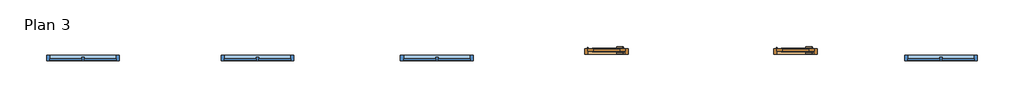
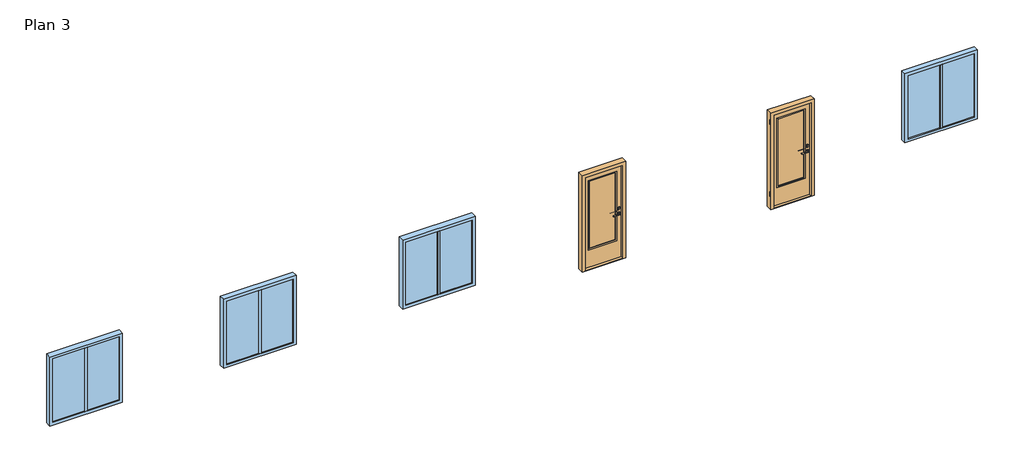
# One storey, part 1 of 2: 4 windows, 2 doors.
"""IFC4 building model written with IfcOpenShell, lengths in millimetres."""

import ifcopenshell
import ifcopenshell.guid

model = None  # the IFC model being written
_history = None  # IfcOwnerHistory: only IFC2X3 demands one
_inside = {}  # id of a spatial element -> (the spatial element, [elements in it])
_under = {}  # id of a project, library or spatial element -> (it, [spatial elements below it])
_declared = {}  # id of a project -> (the project, [libraries it declares])
_typed = {}  # id of a type object -> (the type object, [elements of that type])
_made_of = {}  # id of a material, layer set ... -> (it, [elements and type objects made of it])


def new_model(schema):
    """Start an empty IFC model of exactly this schema.

    Asked for "IFC4X3", IfcOpenShell would pick the latest addendum, in which some entities
    have other attributes; the version numbers below select the first issue.
    IFC2X3 requires an IfcOwnerHistory on every rooted entity: one is made here for all.
    """
    global model, _history
    if schema == "IFC4X3":
        model = ifcopenshell.file(schema_version=(4, 3, 0, 0))
    else:
        model = ifcopenshell.file(schema=schema)
    _inside.clear()
    _under.clear()
    _declared.clear()
    _typed.clear()
    _made_of.clear()
    _history = None
    if model.schema == "IFC2X3":
        org = make("IfcOrganization", Name="unknown")
        user = make(
            "IfcPersonAndOrganization",
            ThePerson=make("IfcPerson", FamilyName="unknown"),
            TheOrganization=org,
        )
        app = make(
            "IfcApplication",
            ApplicationDeveloper=org,
            Version="unknown",
            ApplicationFullName="unknown",
            ApplicationIdentifier="unknown",
        )
        _history = make(
            "IfcOwnerHistory",
            OwningUser=user,
            OwningApplication=app,
            ChangeAction="ADDED",
            CreationDate=0,
        )
    return model


def make(cls, **values):
    """One entity of the class cls with the attributes given. An attribute that is None is left unset."""
    return model.create_entity(
        cls, **{name: value for name, value in values.items() if value is not None}
    )


def rooted(cls, **values):
    """An entity with a GlobalId (a new one), such as an element, a storey or a relation."""
    return make(cls, GlobalId=ifcopenshell.guid.new(), OwnerHistory=_history, **values)


def si_unit(unit_type, name, prefix=None):
    """IfcSIUnit, for example si_unit("LENGTHUNIT", "METRE", prefix="MILLI")."""
    return make("IfcSIUnit", UnitType=unit_type, Prefix=prefix, Name=name)


def assignment(units):
    """IfcUnitAssignment: the units of a project."""
    return None if units is None else make("IfcUnitAssignment", Units=units)


def point(xyz):
    """IfcCartesianPoint."""
    return None if xyz is None else make("IfcCartesianPoint", Coordinates=xyz)


def direction(xyz):
    """IfcDirection."""
    return None if xyz is None else make("IfcDirection", DirectionRatios=xyz)


def frame(location, z_axis=None, x_axis=None):
    """IfcAxis2Placement3D, a coordinate frame: its origin and axes. An axis left out is left unset."""
    return make(
        "IfcAxis2Placement3D",
        Location=point(location),
        Axis=direction(z_axis),
        RefDirection=direction(x_axis),
    )


def frame_2d(location, x_axis=None):
    """IfcAxis2Placement2D, a coordinate frame in the plane: its origin and x axis."""
    return make(
        "IfcAxis2Placement2D", Location=point(location), RefDirection=direction(x_axis)
    )


def origin():
    """The frame at (0, 0, 0) with its axes left unset."""
    return frame((0.0, 0.0, 0.0))


def origin_with_axes():
    """The frame at (0, 0, 0) with the z axis (0, 0, 1) and the x axis (1, 0, 0) written out."""
    return frame((0.0, 0.0, 0.0), z_axis=(0.0, 0.0, 1.0), x_axis=(1.0, 0.0, 0.0))


def place(relative_to, where):
    """IfcLocalPlacement: puts the frame where relative to a parent placement (None: the world)."""
    return make(
        "IfcLocalPlacement", PlacementRelTo=relative_to, RelativePlacement=where
    )


def context(
    kind, dimensions, precision=None, world=None, true_north=None, identifier=None
):
    """IfcGeometricRepresentationContext, for example the 3D "Model" context."""
    return make(
        "IfcGeometricRepresentationContext",
        ContextIdentifier=identifier,
        ContextType=kind,
        CoordinateSpaceDimension=dimensions,
        Precision=precision,
        WorldCoordinateSystem=world,
        TrueNorth=true_north,
    )


def project(units=None, contexts=None):
    """IfcProject with its units and contexts."""
    return rooted(
        "IfcProject",
        Name="project",
        RepresentationContexts=contexts,
        UnitsInContext=assignment(units),
    )


def spatial(cls, under=None, at=None, **own):
    """A site, building, storey or space (cls), placed at a placement, below another one or the project."""
    s = rooted(cls, ObjectPlacement=at, **own)
    if under is not None:
        _under.setdefault(under.id(), (under, []))[1].append(s)
    return s


def polyline(points):
    """IfcPolyline through the points."""
    return make("IfcPolyline", Points=[point(p) for p in points])


def circle_curve(where, radius):
    """IfcCircle in the frame where."""
    return make("IfcCircle", Position=where, Radius=radius)


def ellipse_curve(where, semi_axis1, semi_axis2):
    """IfcEllipse in the frame where."""
    return make(
        "IfcEllipse", Position=where, SemiAxis1=semi_axis1, SemiAxis2=semi_axis2
    )


def trimmed(basis, trim1, trim2, sense, master):
    """IfcTrimmedCurve: the piece of a basis curve between two trims."""
    return make(
        "IfcTrimmedCurve",
        BasisCurve=basis,
        Trim1=trim1,
        Trim2=trim2,
        SenseAgreement=sense,
        MasterRepresentation=master,
    )


def segment(curve, same_sense, transition):
    """IfcCompositeCurveSegment."""
    return make(
        "IfcCompositeCurveSegment",
        Transition=transition,
        SameSense=same_sense,
        ParentCurve=curve,
    )


def composite_curve(segments, self_intersect=None):
    """IfcCompositeCurve: segments joined end to end."""
    return make("IfcCompositeCurve", Segments=segments, SelfIntersect=self_intersect)


def outline(outer, holes=None, kind="AREA"):
    """IfcArbitraryClosedProfileDef: a profile drawn as a closed curve; with holes, ...WithVoids."""
    if holes is None:
        return make("IfcArbitraryClosedProfileDef", ProfileType=kind, OuterCurve=outer)
    return make(
        "IfcArbitraryProfileDefWithVoids",
        ProfileType=kind,
        OuterCurve=outer,
        InnerCurves=holes,
    )


def extrude(swept, where, along, depth):
    """IfcExtrudedAreaSolid: the profile swept, set in the frame where, extruded along a direction by depth."""
    return make(
        "IfcExtrudedAreaSolid",
        SweptArea=swept,
        Position=where,
        ExtrudedDirection=direction(along),
        Depth=depth,
    )


def faces_of(points, faces, orient=None, outer=None):
    """IfcFace entities. A face is a list of loops; a loop is a list of indices into points, from 0.

    orient and outer hold one flag for each loop. By default every Orientation is true, the
    first loop of a face is its IfcFaceOuterBound and the others are IfcFaceBound.
    """
    made = []
    for i, loops in enumerate(faces):
        bounds = []
        for j, loop in enumerate(loops):
            is_outer = j == 0 if outer is None else outer[i][j]
            bounds.append(
                make(
                    "IfcFaceOuterBound" if is_outer else "IfcFaceBound",
                    Bound=make("IfcPolyLoop", Polygon=[points[k] for k in loop]),
                    Orientation=True if orient is None else orient[i][j],
                )
            )
        made.append(make("IfcFace", Bounds=bounds))
    return made


def faceted_brep(points, faces, orient=None, outer=None, voids=None):
    """IfcFacetedBrep: a solid bounded by flat faces; with voids (closed shells), ...WithVoids."""
    shared = [point(p) for p in points]
    hull = make("IfcClosedShell", CfsFaces=faces_of(shared, faces, orient, outer))
    if voids is None:
        return make("IfcFacetedBrep", Outer=hull)
    return make(
        "IfcFacetedBrepWithVoids",
        Outer=hull,
        Voids=[
            make(cls, CfsFaces=faces_of(shared, fs, o, b)) for cls, fs, o, b in voids
        ],
    )


def shape(context_of_items, identifier, shape_type, items):
    """IfcShapeRepresentation: the items that make up one representation, for example the "Body"."""
    return make(
        "IfcShapeRepresentation",
        ContextOfItems=context_of_items,
        RepresentationIdentifier=identifier,
        RepresentationType=shape_type,
        Items=items,
    )


def source(mapping_origin, context_of_items, identifier, shape_type, items):
    """IfcRepresentationMap: a shape defined once, which mapped items show again and again."""
    return make(
        "IfcRepresentationMap",
        MappingOrigin=mapping_origin,
        MappedRepresentation=shape(context_of_items, identifier, shape_type, items),
    )


def transform(
    local_origin,
    x_axis=None,
    y_axis=None,
    z_axis=None,
    scale=None,
    scale2=None,
    scale3=None,
    uniform=True,
):
    """IfcCartesianTransformationOperator3D, or its non-uniform kind. x_axis, y_axis, z_axis: its Axis1, 2, 3."""
    if uniform:
        return make(
            "IfcCartesianTransformationOperator3D",
            Axis1=direction(x_axis),
            Axis2=direction(y_axis),
            LocalOrigin=point(local_origin),
            Scale=scale,
            Axis3=direction(z_axis),
        )
    return make(
        "IfcCartesianTransformationOperator3DnonUniform",
        Axis1=direction(x_axis),
        Axis2=direction(y_axis),
        LocalOrigin=point(local_origin),
        Scale=scale,
        Axis3=direction(z_axis),
        Scale2=scale2,
        Scale3=scale3,
    )


def mapped(mapping_source, mapping_target):
    """IfcMappedItem: shows the shape of a source again, moved by a transform."""
    return make(
        "IfcMappedItem", MappingSource=mapping_source, MappingTarget=mapping_target
    )


def made_of(thing, what):
    """Note that an element or type object is made of a material, layer set ...; save() writes the relation."""
    if what is not None:
        _made_of.setdefault(what.id(), (what, []))[1].append(thing)
    return thing


def element(
    cls,
    number,
    at=None,
    inside=None,
    cuts=None,
    type_object=None,
    material=None,
    context=None,
    identifier="Body",
    shape_type=None,
    held_by="IfcProductDefinitionShape",
    body=None,
    shapes=None,
    **own,
):
    """One element of the class cls, such as IfcWall. Its Tag is "e" and its number.

    at: its placement. inside: the storey or other place that contains it. cuts: it is an
    opening in that element (IfcRelVoidsElement). A single representation is given by context,
    identifier, shape_type and body (its items); several are given by shapes. held_by: the class
    of the entity that holds the representations. save() writes the other relations.
    """
    e = rooted(cls, Tag="e%d" % number, ObjectPlacement=at, **own)
    if body is not None:
        shapes = [shape(context, identifier, shape_type, body)]
    if shapes is not None:
        e.Representation = make(held_by, Representations=shapes)
    if inside is not None:
        _inside.setdefault(inside.id(), (inside, []))[1].append(e)
    if cuts is not None:
        rooted(
            "IfcRelVoidsElement", RelatingBuildingElement=cuts, RelatedOpeningElement=e
        )
    if type_object is not None:
        _typed.setdefault(type_object.id(), (type_object, []))[1].append(e)
    return made_of(e, material)


def aggregate(whole, parts):
    """IfcRelAggregates: a whole, such as a stair, and the parts it consists of."""
    return rooted("IfcRelAggregates", RelatingObject=whole, RelatedObjects=parts)


def save(model, path):
    """Write the relations noted so far, then the file.

    IfcRelAggregates (storeys below a building ...), IfcRelContainedInSpatialStructure (elements
    in a storey), IfcRelDefinesByType, IfcRelAssociatesMaterial and IfcRelDeclares: one each for
    every whole, place, type object, material and project.
    """
    for whole, parts in _under.values():
        aggregate(whole, parts)
    for where, things in _inside.values():
        rooted(
            "IfcRelContainedInSpatialStructure",
            RelatedElements=things,
            RelatingStructure=where,
        )
    for kind, things in _typed.values():
        rooted("IfcRelDefinesByType", RelatedObjects=things, RelatingType=kind)
    for what, things in _made_of.values():
        rooted("IfcRelAssociatesMaterial", RelatedObjects=things, RelatingMaterial=what)
    for by, libraries in _declared.values():
        rooted("IfcRelDeclares", RelatingContext=by, RelatedDefinitions=libraries)
    model.write(path)


def plane_surface(at):
    """IfcPlane: the flat surface through the origin of the frame at, square to its z axis."""
    return make("IfcPlane", Position=at)


def cylinder_surface(at, radius):
    """IfcCylindricalSurface: all points at the distance radius from the z axis of the frame at."""
    return make("IfcCylindricalSurface", Position=at, Radius=radius)


def advanced_brep(points, edges, surfaces, faces):
    """IfcAdvancedBrep: a solid bounded by faces that lie on surfaces and meet in shared edges.

    An edge is (start, end): straight between two places in points (the first is 0);
    or (start, end, curve); or (start, end, curve, False) where it runs against its curve.
    A face is (place in surfaces, loops), or (place, loops, False) where it looks against
    its surface's normal. A loop lists edges by number (the first is 1), with a minus sign
    where the edge is run from its end to its start. The first loop is the outer one.
    """
    corners = [point(p) for p in points]
    vertices = [make("IfcVertexPoint", VertexGeometry=c) for c in corners]
    made = []
    for start, end, *more in edges:
        made.append(
            make(
                "IfcEdgeCurve",
                EdgeStart=vertices[start],
                EdgeEnd=vertices[end],
                EdgeGeometry=more[0] if more else make("IfcPolyline", Points=[corners[start], corners[end]]),
                SameSense=more[1] if len(more) > 1 else True,
            )
        )
    hull = []
    for where, loops, *sense in faces:
        bounds = []
        for j, loop in enumerate(loops):
            ring = [make("IfcOrientedEdge", EdgeElement=made[abs(k) - 1], Orientation=k > 0) for k in loop]
            bounds.append(
                make(
                    "IfcFaceOuterBound" if j == 0 else "IfcFaceBound",
                    Bound=make("IfcEdgeLoop", EdgeList=ring),
                    Orientation=True,
                )
            )
        hull.append(make("IfcAdvancedFace", Bounds=bounds, FaceSurface=surfaces[where], SameSense=sense[0] if sense else True))
    return make("IfcAdvancedBrep", Outer=make("IfcClosedShell", CfsFaces=hull))


def d9_f269e4dd(model_context):
    return source(origin(), model_context, "Body", "SolidModel", [
        advanced_brep(
        [(-340.1499435, -130.0, 974.5), (-360.1499435, -130.0, 974.5), (-340.1499435, -150.0, 974.5), (-360.1499435, -170.0, 974.5), (-220.1499435, -150.0, 974.5), (-220.1499435, -170.0, 974.5)],
        [
            (0, 1, circle_curve(frame((-350.1499435, -130.0, 974.5), z_axis=(0.0, 1.0, 0.0), x_axis=(-1.0, 0.0, 0.0)), 10.0)),
            (1, 0, circle_curve(frame((-350.1499435, -130.0, 974.5), z_axis=(0.0, 1.0, 0.0), x_axis=(-1.0, 0.0, 0.0)), 10.0)),
            (0, 2),
            (2, 3, ellipse_curve(frame((-350.1499435, -160.0, 974.5), z_axis=(-0.7071067811865546, 0.7071067811865405, 0.0), x_axis=(0.7071067811865405, 0.7071067811865545, 0.0)), 14.1421356, 10.0)),
            (3, 1),
            (3, 2, ellipse_curve(frame((-350.1499435, -160.0, 974.5), z_axis=(-0.7071067811865546, 0.7071067811865405, 0.0), x_axis=(0.7071067811865405, 0.7071067811865545, 0.0)), 14.1421356, 10.0)),
            (4, 5, circle_curve(frame((-220.1499435, -160.0, 974.5), z_axis=(1.0, 0.0, 0.0), x_axis=(0.0, -1.0, 0.0)), 10.0)),
            (5, 4, circle_curve(frame((-220.1499435, -160.0, 974.5), z_axis=(1.0, 0.0, 0.0), x_axis=(0.0, -1.0, 0.0)), 10.0)),
            (2, 4),
            (5, 3),
        ],
        [
            plane_surface(frame((-350.1499435, -130.0, 1030.0), z_axis=(0.0, 1.0, 0.0), x_axis=(0.0, 0.0, -1.0))),
            cylinder_surface(frame((-350.1499435, -130.0, 974.5), z_axis=(0.0, 1.0, 0.0), x_axis=(-1.0, 0.0, 0.0)), 10.0),
            plane_surface(frame((-220.1499435, -160.0, 1030.0), z_axis=(1.0, 0.0, 0.0), x_axis=(0.0, 0.0, -1.0))),
            cylinder_surface(frame((-350.1499435, -160.0, 974.5), z_axis=(-1.0, 0.0, 0.0), x_axis=(0.0, -1.0, 0.0)), 10.0),
        ],
        [
            (0, [[1, 2]]),
            (1, [[-1, 3, 4, 5]]),
            (1, [[-2, -5, 6, -3]]),
            (2, [[7, 8]]),
            (3, [[-4, 9, -8, 10]]),
            (3, [[-6, -10, -7, -9]]),
        ],
    ),
        extrude(outline(composite_curve([segment(trimmed(circle_curve(frame_2d((1085.5, -350.1499435)), 30.0), [point((1085.5, -380.1499435))], [point((1085.5, -320.1499435))], False, "CARTESIAN"), True, "CONTINUOUS"), segment(trimmed(circle_curve(frame_2d((1085.5, -350.1499435)), 30.0), [point((1085.5, -320.1499435))], [point((1085.5, -380.1499435))], False, "CARTESIAN"), True, "CONTINUOUS")], self_intersect=False), holes=[composite_curve([segment(polyline([(1099.6538884, -347.1499435), (1072.5, -347.1499435)]), True, "CONTINUOUS"), segment(trimmed(circle_curve(frame_2d((1072.5, -350.1499435)), 3.0), [point((1072.5, -347.1499435))], [point((1072.5, -353.1499435))], True, "CARTESIAN"), True, "CONTINUOUS"), segment(polyline([(1072.5, -353.1499435), (1099.6538884, -353.1499435)]), True, "CONTINUOUS"), segment(trimmed(circle_curve(frame_2d((1099.6538884, -350.1499435)), 3.0), [point((1099.6538884, -353.1499435))], [point((1099.6538884, -347.1499435))], True, "CARTESIAN"), True, "CONTINUOUS")], self_intersect=False)]), frame((0.0, -130.0, 0.0), z_axis=(0.0, 1.0, 0.0), x_axis=(0.0, 0.0, 1.0)), (0.0, 0.0, 1.0), 2.0),
        extrude(outline(composite_curve([segment(trimmed(circle_curve(frame_2d((974.5, -350.1499435)), 30.0), [point((974.5, -380.1499435))], [point((974.5, -320.1499435))], False, "CARTESIAN"), True, "CONTINUOUS"), segment(trimmed(circle_curve(frame_2d((974.5, -350.1499435)), 30.0), [point((974.5, -320.1499435))], [point((974.5, -380.1499435))], False, "CARTESIAN"), True, "CONTINUOUS")], self_intersect=False)), frame((0.0, -130.0, 0.0), z_axis=(0.0, 1.0, 0.0), x_axis=(0.0, 0.0, 1.0)), (0.0, 0.0, 1.0), 2.0),
        advanced_brep(
        [(-340.1499435, -66.0, 974.5), (-360.1499435, -66.0, 974.5), (-360.1499435, -26.0, 974.5), (-340.1499435, -46.0, 974.5), (-220.1499435, -46.0, 974.5), (-220.1499435, -26.0, 974.5)],
        [
            (0, 1, circle_curve(frame((-350.1499435, -66.0, 974.5), z_axis=(0.0, -1.0, 0.0), x_axis=(-1.0, 0.0, 0.0)), 10.0)),
            (1, 0, circle_curve(frame((-350.1499435, -66.0, 974.5), z_axis=(0.0, -1.0, 0.0), x_axis=(-1.0, 0.0, 0.0)), 10.0)),
            (1, 2),
            (2, 3, ellipse_curve(frame((-350.1499435, -36.0, 974.5), z_axis=(-0.7071067811865427, -0.7071067811865523, 0.0), x_axis=(0.7071067811865522, -0.7071067811865427, 0.0)), 14.1421356, 10.0)),
            (3, 0),
            (3, 2, ellipse_curve(frame((-350.1499435, -36.0, 974.5), z_axis=(-0.7071067811865427, -0.7071067811865523, 0.0), x_axis=(0.7071067811865522, -0.7071067811865427, 0.0)), 14.1421356, 10.0)),
            (4, 5, circle_curve(frame((-220.1499435, -36.0, 974.5), z_axis=(1.0, 0.0, 0.0), x_axis=(0.0, 1.0, 0.0)), 10.0)),
            (5, 4, circle_curve(frame((-220.1499435, -36.0, 974.5), z_axis=(1.0, 0.0, 0.0), x_axis=(0.0, 1.0, 0.0)), 10.0)),
            (2, 5),
            (4, 3),
        ],
        [
            plane_surface(frame((-350.1499435, -66.0, 1030.0), z_axis=(0.0, -1.0, 0.0), x_axis=(0.0, 0.0, -1.0))),
            cylinder_surface(frame((-350.1499435, -66.0, 974.5), z_axis=(0.0, -1.0, 0.0), x_axis=(-1.0, 0.0, 0.0)), 10.0),
            plane_surface(frame((-220.1499435, -36.0, 1030.0), z_axis=(1.0, 0.0, 0.0), x_axis=(0.0, 0.0, -1.0))),
            cylinder_surface(frame((-350.1499435, -36.0, 974.5), z_axis=(-1.0, 0.0, 0.0), x_axis=(0.0, 1.0, 0.0)), 10.0),
        ],
        [
            (0, [[1, 2]]),
            (1, [[3, 4, 5, -2]]),
            (1, [[-5, 6, -3, -1]]),
            (2, [[7, 8]]),
            (3, [[9, -7, 10, -4]]),
            (3, [[-10, -8, -9, -6]]),
        ],
    ),
        extrude(outline(composite_curve([segment(trimmed(circle_curve(frame_2d((1085.5, -350.1499435)), 30.0), [point((1085.5, -380.1499435))], [point((1085.5, -320.1499435))], False, "CARTESIAN"), True, "CONTINUOUS"), segment(trimmed(circle_curve(frame_2d((1085.5, -350.1499435)), 30.0), [point((1085.5, -320.1499435))], [point((1085.5, -380.1499435))], False, "CARTESIAN"), True, "CONTINUOUS")], self_intersect=False), holes=[composite_curve([segment(polyline([(1099.6538884, -347.1499435), (1072.5, -347.1499435)]), True, "CONTINUOUS"), segment(trimmed(circle_curve(frame_2d((1072.5, -350.1499435)), 3.0), [point((1072.5, -347.1499435))], [point((1072.5, -353.1499435))], True, "CARTESIAN"), True, "CONTINUOUS"), segment(polyline([(1072.5, -353.1499435), (1099.6538884, -353.1499435)]), True, "CONTINUOUS"), segment(trimmed(circle_curve(frame_2d((1099.6538884, -350.1499435)), 3.0), [point((1099.6538884, -353.1499435))], [point((1099.6538884, -347.1499435))], True, "CARTESIAN"), True, "CONTINUOUS")], self_intersect=False)]), frame((0.0, -68.0, 0.0), z_axis=(0.0, 1.0, 0.0), x_axis=(0.0, 0.0, 1.0)), (0.0, 0.0, 1.0), 2.0),
        extrude(outline(composite_curve([segment(trimmed(circle_curve(frame_2d((974.5, -350.1499435)), 30.0), [point((974.5, -380.1499435))], [point((974.5, -320.1499435))], False, "CARTESIAN"), True, "CONTINUOUS"), segment(trimmed(circle_curve(frame_2d((974.5, -350.1499435)), 30.0), [point((974.5, -320.1499435))], [point((974.5, -380.1499435))], False, "CARTESIAN"), True, "CONTINUOUS")], self_intersect=False)), frame((0.0, -68.0, 0.0), z_axis=(0.0, 1.0, 0.0), x_axis=(0.0, 0.0, 1.0)), (0.0, 0.0, 1.0), 2.0),
        extrude(outline(polyline([(2047.5, 374.8500565), (2047.5, -400.1499435), (10.0, -400.1499435), (10.0, 374.8500565), (2047.5, 374.8500565)]), holes=[polyline([(1897.5, -290.1499435), (1897.5, 264.8500565), (410.0, 264.8500565), (410.0, -290.1499435), (1897.5, -290.1499435)])]), frame((0.0, -128.0, 0.0), z_axis=(0.0, 1.0, 0.0), x_axis=(0.0, 0.0, 1.0)), (0.0, 0.0, 1.0), 60.0),
        faceted_brep([(-305.1499435, -128.0, 1912.5), (-305.1499435, -128.0, 395.0), (-305.1499435, -133.0, 395.0), (-305.1499435, -133.0, 1912.5), (-290.1499435, -118.0, 1897.5), (-290.1499435, -118.0, 410.0), (-290.1499435, -128.0, 410.0), (-290.1499435, -128.0, 1897.5), (-280.1499435, -133.0, 1887.5), (-280.1499435, -133.0, 420.0), (-280.1499435, -118.0, 420.0), (-280.1499435, -118.0, 1887.5), (279.8500565, -128.0, 395.0), (279.8500565, -133.0, 395.0), (264.8500565, -118.0, 410.0), (264.8500565, -128.0, 410.0), (254.8500565, -133.0, 420.0), (254.8500565, -118.0, 420.0), (279.8500565, -128.0, 1912.5), (279.8500565, -133.0, 1912.5), (264.8500565, -118.0, 1897.5), (264.8500565, -128.0, 1897.5), (254.8500565, -133.0, 1887.5), (254.8500565, -118.0, 1887.5)], [[[0, 1, 2, 3]], [[4, 5, 6, 7]], [[8, 9, 10, 11]], [[1, 12, 13, 2]], [[5, 14, 15, 6]], [[9, 16, 17, 10]], [[12, 18, 19, 13]], [[14, 20, 21, 15]], [[16, 22, 23, 17]], [[18, 0, 3, 19]], [[1, 0, 18, 12], [7, 6, 15, 21]], [[20, 4, 7, 21]], [[5, 4, 20, 14], [11, 10, 17, 23]], [[22, 8, 11, 23]], [[3, 2, 13, 19], [9, 8, 22, 16]]]),
        faceted_brep([(-280.1499435, -78.0, 1887.5), (-280.1499435, -78.0, 420.0), (-280.1499435, -63.0, 420.0), (-280.1499435, -63.0, 1887.5), (-290.1499435, -68.0, 1897.5), (-290.1499435, -68.0, 410.0), (-290.1499435, -78.0, 410.0), (-290.1499435, -78.0, 1897.5), (-305.1499435, -63.0, 1912.5), (-305.1499435, -63.0, 395.0), (-305.1499435, -68.0, 395.0), (-305.1499435, -68.0, 1912.5), (254.8500565, -78.0, 420.0), (254.8500565, -63.0, 420.0), (264.8500565, -68.0, 410.0), (264.8500565, -78.0, 410.0), (279.8500565, -63.0, 395.0), (279.8500565, -68.0, 395.0), (254.8500565, -78.0, 1887.5), (254.8500565, -63.0, 1887.5), (264.8500565, -68.0, 1897.5), (264.8500565, -78.0, 1897.5), (279.8500565, -63.0, 1912.5), (279.8500565, -68.0, 1912.5)], [[[0, 1, 2, 3]], [[4, 5, 6, 7]], [[8, 9, 10, 11]], [[1, 12, 13, 2]], [[5, 14, 15, 6]], [[9, 16, 17, 10]], [[12, 18, 19, 13]], [[14, 20, 21, 15]], [[16, 22, 23, 17]], [[9, 8, 22, 16], [3, 2, 13, 19]], [[18, 0, 3, 19]], [[7, 6, 15, 21], [1, 0, 18, 12]], [[20, 4, 7, 21]], [[11, 10, 17, 23], [5, 4, 20, 14]], [[22, 8, 11, 23]]]),
        extrude(outline(polyline([(264.8500565, -78.0), (264.8500565, -118.0), (-290.1499435, -118.0), (-290.1499435, -78.0), (264.8500565, -78.0)])), frame((0.0, 0.0, 410.0), z_axis=(0.0, 0.0, 1.0), x_axis=(1.0, 0.0, 0.0)), (0.0, 0.0, 1.0), 1487.5),
        advanced_brep(
        [(374.8500565, -130.0, 326.0), (374.8500565, -150.0, 326.0), (374.8500565, -130.0, 195.0), (374.8500565, -150.0, 195.0), (374.8500565, -130.0, 225.5), (374.8500565, -150.0, 225.5), (374.8500565, -130.0, 230.5), (374.8500565, -130.0, 290.5), (374.8500565, -150.0, 290.5), (374.8500565, -150.0, 230.5), (374.8500565, -150.0, 295.5), (374.8500565, -130.0, 295.5), (363.8500565, -140.0, 230.5), (385.8500565, -140.0, 230.5), (363.8500565, -140.0, 225.5), (385.8500565, -140.0, 225.5), (363.8500565, -140.0, 290.5), (385.8500565, -140.0, 290.5), (363.8500565, -140.0, 295.5), (385.8500565, -140.0, 295.5)],
        [
            (0, 1, circle_curve(frame((374.8500565, -140.0, 326.0), z_axis=(0.0, 0.0, 1.0), x_axis=(0.0, -1.0, 0.0)), 10.0)),
            (1, 0, circle_curve(frame((374.8500565, -140.0, 326.0), z_axis=(0.0, 0.0, 1.0), x_axis=(0.0, -1.0, 0.0)), 10.0)),
            (2, 3, circle_curve(frame((374.8500565, -140.0, 195.0), z_axis=(0.0, 0.0, -1.0), x_axis=(0.0, -1.0, 0.0)), 10.0)),
            (3, 2, circle_curve(frame((374.8500565, -140.0, 195.0), z_axis=(0.0, 0.0, -1.0), x_axis=(0.0, -1.0, 0.0)), 10.0)),
            (2, 4),
            (4, 5, circle_curve(frame((374.8500565, -140.0, 225.5), z_axis=(0.0, 0.0, -1.0), x_axis=(0.0, -1.0, 0.0)), 10.0)),
            (5, 3),
            (6, 7),
            (7, 8, circle_curve(frame((374.8500565, -140.0, 290.5), z_axis=(0.0, 0.0, -1.0), x_axis=(0.0, -1.0, 0.0)), 10.0)),
            (8, 9),
            (9, 6, circle_curve(frame((374.8500565, -140.0, 230.5), z_axis=(0.0, 0.0, 1.0), x_axis=(0.0, -1.0, 0.0)), 10.0)),
            (1, 10),
            (10, 11, circle_curve(frame((374.8500565, -140.0, 295.5), z_axis=(0.0, 0.0, 1.0), x_axis=(0.0, -1.0, 0.0)), 10.0)),
            (11, 0),
            (11, 10, circle_curve(frame((374.8500565, -140.0, 295.5), z_axis=(0.0, 0.0, 1.0), x_axis=(0.0, -1.0, 0.0)), 10.0)),
            (5, 4, circle_curve(frame((374.8500565, -140.0, 225.5), z_axis=(0.0, 0.0, -1.0), x_axis=(0.0, -1.0, 0.0)), 10.0)),
            (8, 7, circle_curve(frame((374.8500565, -140.0, 290.5), z_axis=(0.0, 0.0, -1.0), x_axis=(0.0, -1.0, 0.0)), 10.0)),
            (6, 9, circle_curve(frame((374.8500565, -140.0, 230.5), z_axis=(0.0, 0.0, 1.0), x_axis=(0.0, -1.0, 0.0)), 10.0)),
            (12, 13, circle_curve(frame((374.8500565, -140.0, 230.5), z_axis=(0.0, 0.0, 1.0), x_axis=(1.0, 0.0, 0.0)), 11.0)),
            (13, 12, circle_curve(frame((374.8500565, -140.0, 230.5), z_axis=(0.0, 0.0, 1.0), x_axis=(1.0, 0.0, 0.0)), 11.0)),
            (14, 15, circle_curve(frame((374.8500565, -140.0, 225.5), z_axis=(0.0, 0.0, -1.0), x_axis=(1.0, 0.0, 0.0)), 11.0)),
            (15, 14, circle_curve(frame((374.8500565, -140.0, 225.5), z_axis=(0.0, 0.0, -1.0), x_axis=(1.0, 0.0, 0.0)), 11.0)),
            (13, 15),
            (14, 12),
            (16, 17, circle_curve(frame((374.8500565, -140.0, 290.5), z_axis=(0.0, 0.0, -1.0), x_axis=(1.0, 0.0, 0.0)), 11.0)),
            (17, 16, circle_curve(frame((374.8500565, -140.0, 290.5), z_axis=(0.0, 0.0, -1.0), x_axis=(1.0, 0.0, 0.0)), 11.0)),
            (18, 19, circle_curve(frame((374.8500565, -140.0, 295.5), z_axis=(0.0, 0.0, 1.0), x_axis=(1.0, 0.0, 0.0)), 11.0)),
            (19, 18, circle_curve(frame((374.8500565, -140.0, 295.5), z_axis=(0.0, 0.0, 1.0), x_axis=(1.0, 0.0, 0.0)), 11.0)),
            (16, 18),
            (19, 17),
        ],
        [
            plane_surface(frame((374.8500565, -140.0, 326.0), z_axis=(0.0, 0.0, 1.0), x_axis=(1.0, 0.0, 0.0))),
            plane_surface(frame((374.8500565, -140.0, 195.0), z_axis=(0.0, 0.0, -1.0), x_axis=(1.0, 0.0, 0.0))),
            cylinder_surface(frame((374.8500565, -140.0, 326.0), z_axis=(0.0, 0.0, 1.0), x_axis=(0.0, -1.0, 0.0)), 10.0),
            plane_surface(frame((385.8500565, -140.0, 230.5), z_axis=(0.0, 0.0, 1.0), x_axis=(0.0, -1.0, 0.0))),
            plane_surface(frame((385.8500565, -140.0, 225.5), z_axis=(0.0, 0.0, -1.0), x_axis=(0.0, 1.0, 0.0))),
            cylinder_surface(frame((374.8500565, -140.0, 225.5), z_axis=(0.0, 0.0, 1.0), x_axis=(1.0, 0.0, 0.0)), 11.0),
            plane_surface(frame((385.8500565, -140.0, 290.5), z_axis=(0.0, 0.0, -1.0), x_axis=(0.0, 1.0, 0.0))),
            plane_surface(frame((385.8500565, -140.0, 295.5), z_axis=(0.0, 0.0, 1.0), x_axis=(0.0, -1.0, 0.0))),
            cylinder_surface(frame((374.8500565, -140.0, 295.5), z_axis=(0.0, 0.0, -1.0), x_axis=(1.0, 0.0, 0.0)), 11.0),
        ],
        [
            (0, [[1, 2]]),
            (1, [[3, 4]]),
            (2, [[5, 6, 7, -3]]),
            (2, [[8, 9, 10, 11]]),
            (2, [[12, 13, 14, -2]]),
            (2, [[-14, 15, -12, -1]]),
            (2, [[-7, 16, -5, -4]]),
            (2, [[-10, 17, -8, 18]]),
            (3, [[19, 20], [-18, -11]]),
            (4, [[21, 22], [-16, -6]]),
            (5, [[23, -21, 24, -20]]),
            (5, [[-24, -22, -23, -19]]),
            (6, [[25, 26], [-17, -9]]),
            (7, [[27, 28], [-15, -13]]),
            (8, [[29, -28, 30, -25]]),
            (8, [[-30, -27, -29, -26]]),
        ],
    ),
        advanced_brep(
        [(374.8500565, -130.0, 1734.0), (374.8500565, -150.0, 1734.0), (374.8500565, -130.0, 1865.0), (374.8500565, -150.0, 1865.0), (374.8500565, -130.0, 1834.5), (374.8500565, -150.0, 1834.5), (374.8500565, -130.0, 1829.5), (374.8500565, -130.0, 1769.5), (374.8500565, -150.0, 1769.5), (374.8500565, -150.0, 1829.5), (374.8500565, -150.0, 1764.5), (374.8500565, -130.0, 1764.5), (385.8500565, -140.0, 1829.5), (363.8500565, -140.0, 1829.5), (385.8500565, -140.0, 1834.5), (363.8500565, -140.0, 1834.5), (385.8500565, -140.0, 1769.5), (363.8500565, -140.0, 1769.5), (385.8500565, -140.0, 1764.5), (363.8500565, -140.0, 1764.5)],
        [
            (0, 1, circle_curve(frame((374.8500565, -140.0, 1734.0), z_axis=(0.0, 0.0, -1.0), x_axis=(0.0, -1.0, 0.0)), 10.0)),
            (1, 0, circle_curve(frame((374.8500565, -140.0, 1734.0), z_axis=(0.0, 0.0, -1.0), x_axis=(0.0, -1.0, 0.0)), 10.0)),
            (2, 3, circle_curve(frame((374.8500565, -140.0, 1865.0), z_axis=(0.0, 0.0, 1.0), x_axis=(0.0, -1.0, 0.0)), 10.0)),
            (3, 2, circle_curve(frame((374.8500565, -140.0, 1865.0), z_axis=(0.0, 0.0, 1.0), x_axis=(0.0, -1.0, 0.0)), 10.0)),
            (2, 4),
            (4, 5, circle_curve(frame((374.8500565, -140.0, 1834.5), z_axis=(0.0, 0.0, 1.0), x_axis=(0.0, -1.0, 0.0)), 10.0)),
            (5, 3),
            (6, 7),
            (7, 8, circle_curve(frame((374.8500565, -140.0, 1769.5), z_axis=(0.0, 0.0, 1.0), x_axis=(0.0, -1.0, 0.0)), 10.0)),
            (8, 9),
            (9, 6, circle_curve(frame((374.8500565, -140.0, 1829.5), z_axis=(0.0, 0.0, -1.0), x_axis=(0.0, -1.0, 0.0)), 10.0)),
            (1, 10),
            (10, 11, circle_curve(frame((374.8500565, -140.0, 1764.5), z_axis=(0.0, 0.0, -1.0), x_axis=(0.0, -1.0, 0.0)), 10.0)),
            (11, 0),
            (11, 10, circle_curve(frame((374.8500565, -140.0, 1764.5), z_axis=(0.0, 0.0, -1.0), x_axis=(0.0, -1.0, 0.0)), 10.0)),
            (5, 4, circle_curve(frame((374.8500565, -140.0, 1834.5), z_axis=(0.0, 0.0, 1.0), x_axis=(0.0, -1.0, 0.0)), 10.0)),
            (8, 7, circle_curve(frame((374.8500565, -140.0, 1769.5), z_axis=(0.0, 0.0, 1.0), x_axis=(0.0, -1.0, 0.0)), 10.0)),
            (6, 9, circle_curve(frame((374.8500565, -140.0, 1829.5), z_axis=(0.0, 0.0, -1.0), x_axis=(0.0, -1.0, 0.0)), 10.0)),
            (12, 13, circle_curve(frame((374.8500565, -140.0, 1829.5), z_axis=(0.0, 0.0, -1.0), x_axis=(-1.0, 0.0, 0.0)), 11.0)),
            (13, 12, circle_curve(frame((374.8500565, -140.0, 1829.5), z_axis=(0.0, 0.0, -1.0), x_axis=(-1.0, 0.0, 0.0)), 11.0)),
            (14, 15, circle_curve(frame((374.8500565, -140.0, 1834.5), z_axis=(0.0, 0.0, 1.0), x_axis=(-1.0, 0.0, 0.0)), 11.0)),
            (15, 14, circle_curve(frame((374.8500565, -140.0, 1834.5), z_axis=(0.0, 0.0, 1.0), x_axis=(-1.0, 0.0, 0.0)), 11.0)),
            (13, 15),
            (14, 12),
            (16, 17, circle_curve(frame((374.8500565, -140.0, 1769.5), z_axis=(0.0, 0.0, 1.0), x_axis=(-1.0, 0.0, 0.0)), 11.0)),
            (17, 16, circle_curve(frame((374.8500565, -140.0, 1769.5), z_axis=(0.0, 0.0, 1.0), x_axis=(-1.0, 0.0, 0.0)), 11.0)),
            (18, 19, circle_curve(frame((374.8500565, -140.0, 1764.5), z_axis=(0.0, 0.0, -1.0), x_axis=(-1.0, 0.0, 0.0)), 11.0)),
            (19, 18, circle_curve(frame((374.8500565, -140.0, 1764.5), z_axis=(0.0, 0.0, -1.0), x_axis=(-1.0, 0.0, 0.0)), 11.0)),
            (16, 18),
            (19, 17),
        ],
        [
            plane_surface(frame((374.8500565, -140.0, 1734.0), z_axis=(0.0, 0.0, -1.0), x_axis=(-1.0, 0.0, 0.0))),
            plane_surface(frame((374.8500565, -140.0, 1865.0), z_axis=(0.0, 0.0, 1.0), x_axis=(-1.0, 0.0, 0.0))),
            cylinder_surface(frame((374.8500565, -140.0, 1734.0), z_axis=(0.0, 0.0, -1.0), x_axis=(0.0, -1.0, 0.0)), 10.0),
            plane_surface(frame((363.8500565, -140.0, 1829.5), z_axis=(0.0, 0.0, -1.0), x_axis=(0.0, -1.0, 0.0))),
            plane_surface(frame((363.8500565, -140.0, 1834.5), z_axis=(0.0, 0.0, 1.0), x_axis=(0.0, 1.0, 0.0))),
            cylinder_surface(frame((374.8500565, -140.0, 1834.5), z_axis=(0.0, 0.0, -1.0), x_axis=(-1.0, 0.0, 0.0)), 11.0),
            plane_surface(frame((363.8500565, -140.0, 1769.5), z_axis=(0.0, 0.0, 1.0), x_axis=(0.0, 1.0, 0.0))),
            plane_surface(frame((363.8500565, -140.0, 1764.5), z_axis=(0.0, 0.0, -1.0), x_axis=(0.0, -1.0, 0.0))),
            cylinder_surface(frame((374.8500565, -140.0, 1764.5), z_axis=(0.0, 0.0, 1.0), x_axis=(-1.0, 0.0, 0.0)), 11.0),
        ],
        [
            (0, [[1, 2]]),
            (1, [[3, 4]]),
            (2, [[5, 6, 7, -3]]),
            (2, [[8, 9, 10, 11]]),
            (2, [[12, 13, 14, -2]]),
            (2, [[-14, 15, -12, -1]]),
            (2, [[-7, 16, -5, -4]]),
            (2, [[-10, 17, -8, 18]]),
            (3, [[19, 20], [-18, -11]]),
            (4, [[21, 22], [-16, -6]]),
            (5, [[23, -21, 24, -20]]),
            (5, [[-24, -22, -23, -19]]),
            (6, [[25, 26], [-17, -9]]),
            (7, [[27, 28], [-15, -13]]),
            (8, [[29, -28, 30, -25]]),
            (8, [[-30, -27, -29, -26]]),
        ],
    ),
        extrude(outline(polyline([(2110.0, 437.3500565), (2110.0, -462.6499435), (0.0, -462.6499435), (0.0, -400.1499435), (2047.5, -400.1499435), (2047.5, 374.8500565), (0.0, 374.8500565), (0.0, 437.3500565), (2110.0, 437.3500565)])), frame((0.0, -128.0, 0.0), z_axis=(0.0, 1.0, 0.0), x_axis=(0.0, 0.0, 1.0)), (0.0, 0.0, 1.0), 120.0),
        extrude(outline(polyline([(-400.1499435, -8.0), (374.8500565, -8.0), (374.8500565, -128.0), (-400.1499435, -128.0), (-400.1499435, -8.0)])), origin_with_axes(), (0.0, 0.0, 1.0), 10.0),
    ])


def window_15x15_69924a45(model_context):
    return source(origin(), model_context, "Body", "SweptSolid", [
        extrude(outline(polyline([(25.0, 108.0), (687.5, 108.0), (687.5, 78.0), (25.0, 78.0), (25.0, 108.0)])), frame((0.0, 0.0, 862.5), z_axis=(0.0, 0.0, 1.0), x_axis=(1.0, 0.0, 0.0)), (0.0, 0.0, 1.0), 1385.0),
        extrude(outline(polyline([(-687.5, 108.0), (-25.0, 108.0), (-25.0, 78.0), (-687.5, 78.0), (-687.5, 108.0)])), frame((0.0, 0.0, 862.5), z_axis=(0.0, 0.0, 1.0), x_axis=(1.0, 0.0, 0.0)), (0.0, 0.0, 1.0), 1385.0),
        extrude(outline(polyline([(-25.0, 128.0), (25.0, 128.0), (25.0, 53.0), (-25.0, 53.0), (-25.0, 128.0)])), frame((0.0, 0.0, 862.5), z_axis=(0.0, 0.0, 1.0), x_axis=(1.0, 0.0, 0.0)), (0.0, 0.0, 1.0), 1385.0),
        extrude(outline(polyline([(2310.0, -750.0), (800.0, -750.0), (800.0, 750.0), (2310.0, 750.0), (2310.0, -750.0)]), holes=[polyline([(2247.5, -687.5), (2247.5, 687.5), (862.5, 687.5), (862.5, -687.5), (2247.5, -687.5)])]), frame((0.0, 8.0, 0.0), z_axis=(0.0, 1.0, 0.0), x_axis=(0.0, 0.0, 1.0)), (0.0, 0.0, 1.0), 120.0),
    ])


model = new_model("IFC4")

# Units and contexts
model_context = context("Model", 3, world=origin())
ifc_project = project(units=[si_unit("LENGTHUNIT", "METRE", prefix="MILLI")], contexts=[model_context])

# Site, building, storey
site = spatial("IfcSite", under=ifc_project)
building = spatial("IfcBuilding", under=site)
storey = spatial("IfcBuildingStorey", under=building, Name="Plan 3", Elevation=16000.0)

# Doors
placement = place(None, origin())
d9_shape = d9_f269e4dd(model_context)
element("IfcDoor", 1, ObjectType="D9", at=placement, inside=storey, context=model_context, shape_type="MappedRepresentation", body=[
    mapped(d9_shape, transform((6990.6752832, 14254.0511667, 16000.0), x_axis=(-1.0, 0.0, 0.0), y_axis=(0.0, -1.0, 0.0), z_axis=(0.0, 0.0, 1.0))),
])
element("IfcDoor", 2, ObjectType="D9", at=placement, inside=storey, context=model_context, shape_type="MappedRepresentation", body=[
    mapped(d9_shape, transform((10890.6752832, 14254.0511667, 16000.0), x_axis=(-1.0, 0.0, 0.0), y_axis=(0.0, -1.0, 0.0), z_axis=(0.0, 0.0, 1.0))),
])

# Windows
window_15x15_shape = window_15x15_69924a45(model_context)
element("IfcWindow", 3, ObjectType="15x15", at=placement, inside=storey, context=model_context, shape_type="MappedRepresentation", body=[
    mapped(window_15x15_shape, transform((13903.3252269, 14254.0511667, 15800.0), x_axis=(-1.0, 0.0, 0.0), y_axis=(0.0, -1.0, 0.0), z_axis=(0.0, 0.0, 1.0))),
])
element("IfcWindow", 4, ObjectType="15x15", at=placement, inside=storey, context=model_context, shape_type="MappedRepresentation", body=[
    mapped(window_15x15_shape, transform((-3796.6747735, 14254.0511667, 15800.0), x_axis=(-1.0, 0.0, 0.0), y_axis=(0.0, -1.0, 0.0), z_axis=(0.0, 0.0, 1.0))),
])
element("IfcWindow", 5, ObjectType="15x15", at=placement, inside=storey, context=model_context, shape_type="MappedRepresentation", body=[
    mapped(window_15x15_shape, transform((-196.6747731, 14254.0511667, 15800.0), x_axis=(-1.0, 0.0, 0.0), y_axis=(0.0, -1.0, 0.0), z_axis=(0.0, 0.0, 1.0))),
])
element("IfcWindow", 6, ObjectType="15x15", at=placement, inside=storey, context=model_context, shape_type="MappedRepresentation", body=[
    mapped(window_15x15_shape, transform((3503.3252267, 14254.0511667, 15800.0), x_axis=(-1.0, 0.0, 0.0), y_axis=(0.0, -1.0, 0.0), z_axis=(0.0, 0.0, 1.0))),
])

save(model, "model.ifc")
